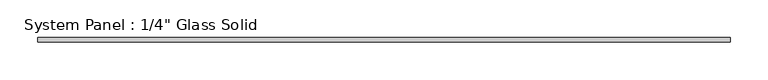
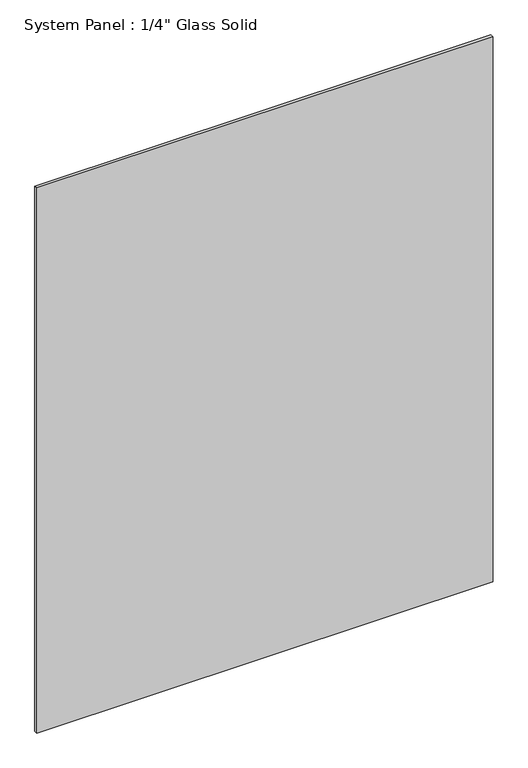
"""IFC4 building model written with IfcOpenShell, lengths in millimetres: plate geometry."""

from ifc_helpers import new_model, si_unit, origin, origin_with_axes, place, context, project, spatial, polyline, outline, extrude, source, transform, mapped, element, save


def plate_3e02e8ae(model_context):
    return source(origin(), model_context, "Body", "SweptSolid", [
        extrude(outline(polyline([(460.9555865, -3.175), (-460.9555865, -3.175), (-460.9555865, 3.175), (460.9555865, 3.175), (460.9555865, -3.175)])), origin_with_axes(), (0.0, 0.0, 1.0), 1164.0691382),
    ])


if __name__ == "__main__":
    model = new_model("IFC4")
    model_context = context("Model", 3, world=origin())
    ifc_project = project(units=[si_unit("LENGTHUNIT", "METRE", prefix="MILLI")], contexts=[model_context])
    site = spatial("IfcSite", under=ifc_project)
    building = spatial("IfcBuilding", under=site)
    placement = place(None, origin())
    plate_shape = plate_3e02e8ae(model_context)
    element("IfcPlate", 1, ObjectType="System Panel : 1/4\" Glass Solid", at=placement, inside=building, context=model_context, shape_type="MappedRepresentation", body=[
        mapped(plate_shape, transform((0.0, 0.0, 0.0), x_axis=(1.0, 0.0, 0.0), y_axis=(0.0, 1.0, 0.0), z_axis=(0.0, 0.0, 1.0))),
    ])
    save(model, "model.ifc")
